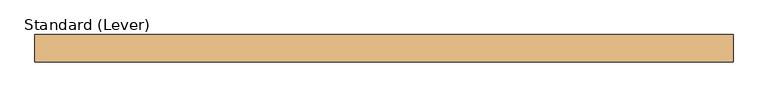
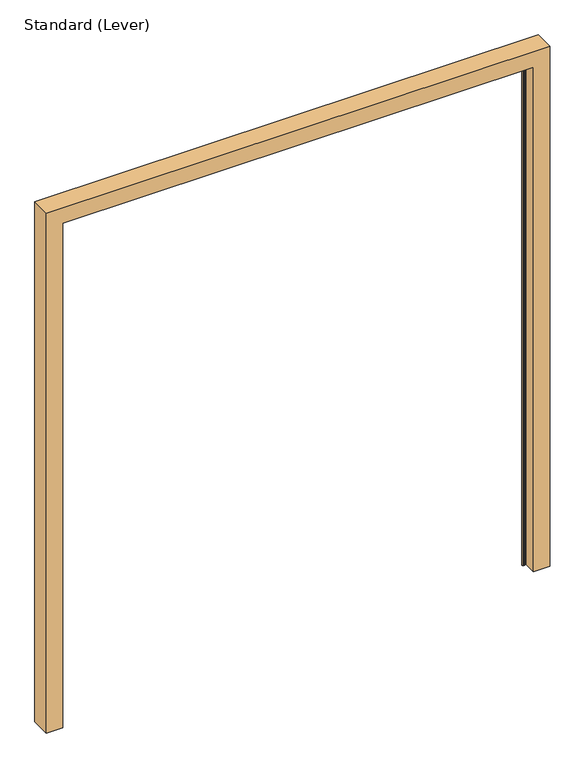
"""IFC4 building model written with IfcOpenShell, lengths in millimetres: door geometry, Standard (Lever)."""

from ifc_helpers import new_model, si_unit, origin, place, context, project, spatial, faceted_brep, source, transform, mapped, element, save


def standard_lever_5e70d5de(model_context):
    return source(origin(), model_context, "Body", "Brep", [
        faceted_brep([(319.0875, 12.7, 0.0), (314.325, 12.7, 0.0), (314.325, 9.525, 0.0), (311.94375, 9.525, 0.0), (311.94375, 10.31875, 0.0), (312.7375, 10.31875, 0.0), (312.7375, 12.7, 0.0), (306.3875, 12.7, 0.0), (306.3875, 10.31875, 0.0), (307.18125, 10.31875, 0.0), (307.18125, 9.525, 0.0), (304.8, 9.525, 0.0), (304.8, 14.2875, 0.0), (319.0875, 14.2875, 0.0), (319.0875, 38.1, 0.0), (382.5875, 38.1, 0.0), (382.5875, -38.1, 0.0), (319.0875, -38.1, 0.0), (319.0875, 12.7, 2055.8125), (314.325, 12.7, 2055.8125), (319.0875, 12.7, 2065.3375), (319.0875, 12.7, 2070.1), (314.325, 12.7, 2070.1), (314.325, 12.7, 2065.3375), (319.0875, 12.7, 2057.4), (319.0875, 12.7, 2063.75), (314.325, 12.7, 2063.75), (314.325, 12.7, 2057.4), (314.325, 9.525, 2055.8125), (314.325, 9.525, 2070.1), (314.325, 9.525, 2065.3375), (314.325, 10.31875, 2063.75), (314.325, 10.31875, 2062.95625), (314.325, 9.525, 2062.95625), (314.325, 9.525, 2058.19375), (314.325, 10.31875, 2058.19375), (314.325, 10.31875, 2057.4), (319.0875, 9.525, 2055.8125), (319.0875, 9.525, 2058.19375), (319.0875, 9.525, 2062.95625), (319.0875, 9.525, 2065.3375), (311.94375, 9.525, 2070.1), (311.94375, 9.525, 2065.3375), (307.18125, 9.525, 2065.3375), (307.18125, 9.525, 2070.1), (304.8, 9.525, 2070.1), (304.8, 9.525, 2065.3375), (-1495.425, 9.525, 2065.3375), (-1495.425, 9.525, 2070.1), (-1497.80625, 9.525, 2070.1), (-1497.80625, 9.525, 2065.3375), (-1502.56875, 9.525, 2065.3375), (-1502.56875, 9.525, 2070.1), (-1504.95, 9.525, 2070.1), (-1504.95, 9.525, 2065.3375), (-1509.7125, 9.525, 2065.3375), (-1509.7125, 9.525, 2062.95625), (-1504.95, 9.525, 2062.95625), (-1504.95, 9.525, 2058.19375), (-1509.7125, 9.525, 2058.19375), (-1509.7125, 9.525, 2055.8125), (-1504.95, 9.525, 2055.8125), (-1504.95, 9.525, 0.0), (-1502.56875, 9.525, 0.0), (-1502.56875, 9.525, 2055.8125), (-1497.80625, 9.525, 2055.8125), (-1497.80625, 9.525, 0.0), (-1495.425, 9.525, 0.0), (-1495.425, 9.525, 2055.8125), (304.8, 9.525, 2055.8125), (307.18125, 9.525, 2055.8125), (311.94375, 9.525, 2055.8125), (311.94375, 9.525, 2062.95625), (311.94375, 9.525, 2058.19375), (307.18125, 9.525, 2058.19375), (307.18125, 9.525, 2062.95625), (304.8, 9.525, 2058.19375), (-1495.425, 9.525, 2058.19375), (-1495.425, 9.525, 2062.95625), (304.8, 9.525, 2062.95625), (-1497.80625, 9.525, 2058.19375), (-1502.56875, 9.525, 2058.19375), (-1502.56875, 9.525, 2062.95625), (-1497.80625, 9.525, 2062.95625), (311.94375, 10.31875, 2055.8125), (311.94375, 10.31875, 2070.1), (311.94375, 10.31875, 2065.3375), (311.94375, 10.31875, 2062.95625), (311.94375, 10.31875, 2058.19375), (312.7375, 10.31875, 2055.8125), (306.3875, 10.31875, 2055.8125), (307.18125, 10.31875, 2055.8125), (-1497.0125, 10.31875, 0.0), (-1497.80625, 10.31875, 0.0), (-1497.80625, 10.31875, 2055.8125), (-1497.0125, 10.31875, 2055.8125), (-1502.56875, 10.31875, 0.0), (-1503.3625, 10.31875, 0.0), (-1503.3625, 10.31875, 2055.8125), (-1502.56875, 10.31875, 2055.8125), (319.0875, 10.31875, 2062.95625), (319.0875, 10.31875, 2063.75), (-1504.95, 10.31875, 2062.95625), (-1509.7125, 10.31875, 2062.95625), (-1509.7125, 10.31875, 2063.75), (-1504.95, 10.31875, 2063.75), (312.7375, 10.31875, 2070.1), (312.7375, 10.31875, 2065.3375), (306.3875, 10.31875, 2065.3375), (306.3875, 10.31875, 2070.1), (307.18125, 10.31875, 2070.1), (307.18125, 10.31875, 2065.3375), (319.0875, 10.31875, 2057.4), (319.0875, 10.31875, 2058.19375), (304.8, 10.31875, 2063.75), (304.8, 10.31875, 2062.95625), (-1495.425, 10.31875, 2062.95625), (-1495.425, 10.31875, 2063.75), (304.8, 10.31875, 2058.19375), (304.8, 10.31875, 2057.4), (-1495.425, 10.31875, 2057.4), (-1495.425, 10.31875, 2058.19375), (312.7375, 10.31875, 2057.4), (306.3875, 10.31875, 2057.4), (306.3875, 10.31875, 2063.75), (312.7375, 10.31875, 2063.75), (307.18125, 10.31875, 2062.95625), (307.18125, 10.31875, 2058.19375), (-1504.95, 10.31875, 2057.4), (-1509.7125, 10.31875, 2057.4), (-1509.7125, 10.31875, 2058.19375), (-1504.95, 10.31875, 2058.19375), (-1497.80625, 10.31875, 2065.3375), (-1497.80625, 10.31875, 2070.1), (-1497.0125, 10.31875, 2070.1), (-1497.0125, 10.31875, 2065.3375), (-1503.3625, 10.31875, 2065.3375), (-1503.3625, 10.31875, 2070.1), (-1502.56875, 10.31875, 2070.1), (-1502.56875, 10.31875, 2065.3375), (-1503.3625, 10.31875, 2057.4), (-1503.3625, 10.31875, 2063.75), (-1497.0125, 10.31875, 2063.75), (-1497.0125, 10.31875, 2057.4), (-1497.80625, 10.31875, 2062.95625), (-1502.56875, 10.31875, 2062.95625), (-1502.56875, 10.31875, 2058.19375), (-1497.80625, 10.31875, 2058.19375), (312.7375, 12.7, 2055.8125), (312.7375, 12.7, 2070.1), (312.7375, 12.7, 2065.3375), (312.7375, 12.7, 2063.75), (312.7375, 12.7, 2057.4), (306.3875, 12.7, 2055.8125), (306.3875, 12.7, 2070.1), (306.3875, 12.7, 2065.3375), (306.3875, 12.7, 2063.75), (306.3875, 12.7, 2057.4), (304.8, 14.2875, 2055.8125), (304.8, 12.7, 2070.1), (304.8, 12.7, 2065.3375), (304.8, 12.7, 2063.75), (304.8, 12.7, 2057.4), (-1495.425, 14.2875, 2055.8125), (-1495.425, 14.2875, 0.0), (-1509.7125, 14.2875, 0.0), (-1509.7125, 14.2875, 2070.1), (319.0875, 14.2875, 2070.1), (319.0875, 38.1, 2070.1), (-1509.7125, 38.1, 2070.1), (-1509.7125, 38.1, 0.0), (-1573.2125, 38.1, 0.0), (-1573.2125, 38.1, 2133.6), (382.5875, 38.1, 2133.6), (382.5875, -38.1, 2133.6), (-1573.2125, -38.1, 2133.6), (-1573.2125, -38.1, 0.0), (-1509.7125, -38.1, 0.0), (-1509.7125, -38.1, 2070.1), (319.0875, -38.1, 2070.1), (-1509.7125, 12.7, 0.0), (-1497.0125, 12.7, 0.0), (-1503.3625, 12.7, 0.0), (-1504.95, 12.7, 0.0), (-1509.7125, 12.7, 2055.8125), (-1509.7125, 12.7, 2057.4), (-1509.7125, 12.7, 2063.75), (-1509.7125, 12.7, 2065.3375), (-1509.7125, 12.7, 2070.1), (-1495.425, 12.7, 2065.3375), (-1495.425, 12.7, 2070.1), (-1495.425, 12.7, 2057.4), (-1495.425, 12.7, 2063.75), (-1497.0125, 12.7, 2055.8125), (-1497.0125, 12.7, 2070.1), (-1497.0125, 12.7, 2065.3375), (-1497.0125, 12.7, 2063.75), (-1497.0125, 12.7, 2057.4), (-1503.3625, 12.7, 2055.8125), (-1503.3625, 12.7, 2065.3375), (-1503.3625, 12.7, 2070.1), (-1503.3625, 12.7, 2057.4), (-1503.3625, 12.7, 2063.75), (-1504.95, 12.7, 2055.8125), (-1504.95, 12.7, 2070.1), (-1504.95, 12.7, 2065.3375), (-1504.95, 12.7, 2063.75), (-1504.95, 12.7, 2057.4)], [[[0, 1, 2, 3, 4, 5, 6, 7, 8, 9, 10, 11, 12, 13, 14, 15, 16, 17]], [[1, 0, 18, 19]], [[20, 21, 22, 23]], [[24, 25, 26, 27]], [[2, 1, 19, 28]], [[23, 22, 29, 30]], [[27, 26, 31, 32, 33, 34, 35, 36]], [[3, 2, 28, 37, 38, 34, 33, 39, 40, 30, 29, 41, 42, 43, 44, 45, 46, 47, 48, 49, 50, 51, 52, 53, 54, 55, 56, 57, 58, 59, 60, 61, 62, 63, 64, 65, 66, 67, 68, 69, 11, 10, 70, 71], [72, 73, 74, 75], [76, 77, 78, 79], [80, 81, 82, 83]], [[4, 3, 71, 84]], [[42, 41, 85, 86]], [[73, 72, 87, 88]], [[5, 4, 84, 89]], [[9, 8, 90, 91]], [[92, 93, 94, 95]], [[96, 97, 98, 99]], [[100, 32, 31, 101]], [[102, 103, 104, 105]], [[86, 85, 106, 107]], [[108, 109, 110, 111]], [[112, 36, 35, 113]], [[114, 115, 116, 117]], [[118, 119, 120, 121]], [[122, 123, 124, 125], [88, 87, 126, 127]], [[128, 129, 130, 131]], [[132, 133, 134, 135]], [[136, 137, 138, 139]], [[140, 141, 142, 143], [144, 145, 146, 147]], [[6, 5, 89, 148]], [[107, 106, 149, 150]], [[151, 152, 122, 125]], [[7, 6, 148, 153]], [[150, 149, 154, 155]], [[152, 151, 156, 157]], [[8, 7, 153, 90]], [[155, 154, 109, 108]], [[157, 156, 124, 123]], [[10, 9, 91, 70]], [[127, 126, 75, 74]], [[111, 110, 44, 43]], [[12, 11, 69, 158]], [[46, 45, 159, 160]], [[76, 79, 115, 114, 161, 162, 119, 118]], [[13, 12, 158, 163, 164, 165, 166, 167]], [[14, 13, 167, 168]], [[15, 14, 168, 169, 170, 171, 172, 173]], [[16, 15, 173, 174]], [[17, 16, 174, 175, 176, 177, 178, 179]], [[0, 17, 179, 21, 20, 40, 39, 100, 101, 25, 24, 112, 113, 38, 37, 18]], [[180, 177, 176, 171, 170, 165, 164, 67, 66, 93, 92, 181, 182, 97, 96, 63, 62, 183]], [[171, 176, 175, 172]], [[177, 180, 184, 60, 59, 130, 129, 185, 186, 104, 103, 56, 55, 187, 188, 178]], [[166, 165, 170, 169]], [[67, 164, 163, 68]], [[48, 47, 189, 190]], [[78, 77, 121, 120, 191, 192, 117, 116]], [[93, 66, 65, 94]], [[50, 49, 133, 132]], [[80, 83, 144, 147]], [[181, 92, 95, 193]], [[135, 134, 194, 195]], [[143, 142, 196, 197]], [[182, 181, 193, 198]], [[97, 182, 198, 98]], [[137, 136, 199, 200]], [[141, 140, 201, 202]], [[63, 96, 99, 64]], [[82, 81, 146, 145]], [[139, 138, 52, 51]], [[183, 62, 61, 203]], [[54, 53, 204, 205]], [[58, 57, 102, 105, 206, 207, 128, 131]], [[180, 183, 203, 184]], [[175, 174, 173, 172]], [[168, 167, 166, 169]], [[21, 179, 178, 188, 204, 53, 52, 138, 137, 200, 194, 134, 133, 49, 48, 190, 159, 45, 44, 110, 109, 154, 149, 106, 85, 41, 29, 22]], [[43, 42, 86, 107, 150, 155, 108, 111]], [[30, 40, 20, 23]], [[46, 160, 189, 47]], [[51, 50, 132, 135, 195, 199, 136, 139]], [[55, 54, 205, 187]], [[39, 33, 32, 100]], [[126, 87, 72, 75]], [[115, 79, 78, 116]], [[145, 144, 83, 82]], [[103, 102, 57, 56]], [[101, 31, 26, 25]], [[105, 104, 186, 206]], [[142, 141, 202, 196]], [[151, 125, 124, 156]], [[161, 114, 117, 192]], [[36, 112, 24, 27]], [[129, 128, 207, 185]], [[140, 143, 197, 201]], [[122, 152, 157, 123]], [[119, 162, 191, 120]], [[59, 58, 131, 130]], [[81, 80, 147, 146]], [[88, 127, 74, 73]], [[113, 35, 34, 38]], [[76, 118, 121, 77]], [[37, 28, 19, 18]], [[61, 60, 184, 203]], [[65, 64, 99, 98, 198, 193, 95, 94]], [[71, 70, 91, 90, 153, 148, 89, 84]], [[158, 69, 68, 163]], [[206, 186, 185, 207]], [[196, 202, 201, 197]], [[162, 161, 192, 191]], [[204, 188, 187, 205]], [[194, 200, 199, 195]], [[160, 159, 190, 189]]]),
    ])


if __name__ == "__main__":
    model = new_model("IFC4")
    model_context = context("Model", 3, world=origin())
    ifc_project = project(units=[si_unit("LENGTHUNIT", "METRE", prefix="MILLI")], contexts=[model_context])
    site = spatial("IfcSite", under=ifc_project)
    building = spatial("IfcBuilding", under=site)
    placement = place(None, origin())
    standard_lever_shape = standard_lever_5e70d5de(model_context)
    element("IfcDoor", 1, ObjectType="Standard (Lever)", at=placement, inside=building, context=model_context, shape_type="MappedRepresentation", body=[
        mapped(standard_lever_shape, transform((0.0, 0.0, 0.0), x_axis=(1.0, 0.0, 0.0), y_axis=(0.0, 1.0, 0.0), z_axis=(0.0, 0.0, 1.0))),
    ])
    save(model, "model.ifc")
